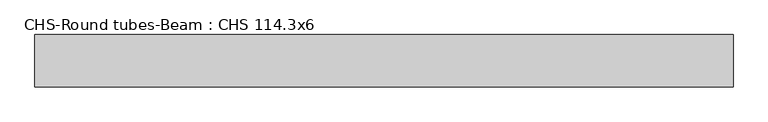
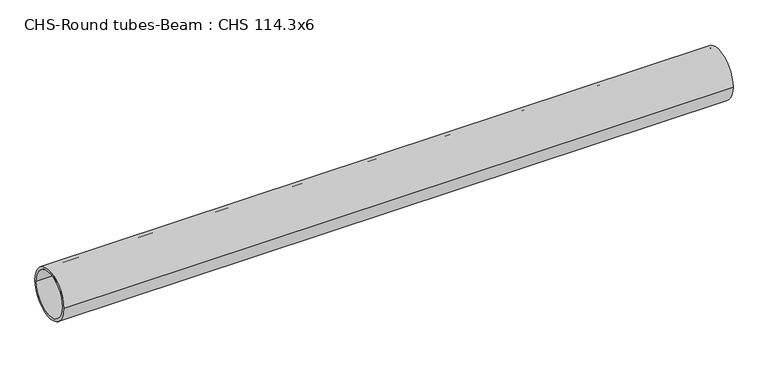
"""IFC4 building model written with IfcOpenShell, lengths in millimetres: beam geometry, CHS-Round tubes-Beam : CHS 114.3x6."""

from ifc_helpers import new_model, si_unit, point, frame, origin, origin_2d, place, context, project, spatial, circle_curve, trimmed, segment, composite_curve, outline, extrude, source, transform, mapped, element, save


def chs_round_tubes_beam_chs_114_3x6_40d9f9f7(model_context):
    return source(origin(), model_context, "Body", "SweptSolid", [
        extrude(outline(composite_curve([segment(trimmed(circle_curve(origin_2d(), 57.15), [point((57.15, 0.0))], [point((-57.15, 0.0))], False, "CARTESIAN"), True, "CONTINUOUS"), segment(trimmed(circle_curve(origin_2d(), 57.15), [point((-57.15, 0.0))], [point((57.15, 0.0))], False, "CARTESIAN"), True, "CONTINUOUS")], self_intersect=False), holes=[composite_curve([segment(trimmed(circle_curve(origin_2d(), 51.15), [point((51.15, 0.0))], [point((-51.15, 0.0))], True, "CARTESIAN"), True, "CONTINUOUS"), segment(trimmed(circle_curve(origin_2d(), 51.15), [point((-51.15, 0.0))], [point((51.15, 0.0))], True, "CARTESIAN"), True, "CONTINUOUS")], self_intersect=False)]), frame((-750.5800808, 0.0, 0.0), z_axis=(1.0, 0.0, 0.0), x_axis=(0.0, 1.0, 0.0)), (0.0, 0.0, 1.0), 1529.415421),
    ])


if __name__ == "__main__":
    model = new_model("IFC4")
    model_context = context("Model", 3, world=origin())
    ifc_project = project(units=[si_unit("LENGTHUNIT", "METRE", prefix="MILLI")], contexts=[model_context])
    site = spatial("IfcSite", under=ifc_project)
    building = spatial("IfcBuilding", under=site)
    placement = place(None, origin())
    chs_round_tubes_beam_chs_114_3x6_shape = chs_round_tubes_beam_chs_114_3x6_40d9f9f7(model_context)
    element("IfcBeam", 1, ObjectType="CHS-Round tubes-Beam : CHS 114.3x6", at=placement, inside=building, context=model_context, shape_type="MappedRepresentation", body=[
        mapped(chs_round_tubes_beam_chs_114_3x6_shape, transform((0.0, 0.0, 0.0), x_axis=(1.0, 0.0, 0.0), y_axis=(0.0, 1.0, 0.0), z_axis=(0.0, 0.0, 1.0))),
    ])
    save(model, "model.ifc")
